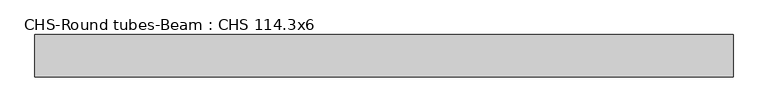
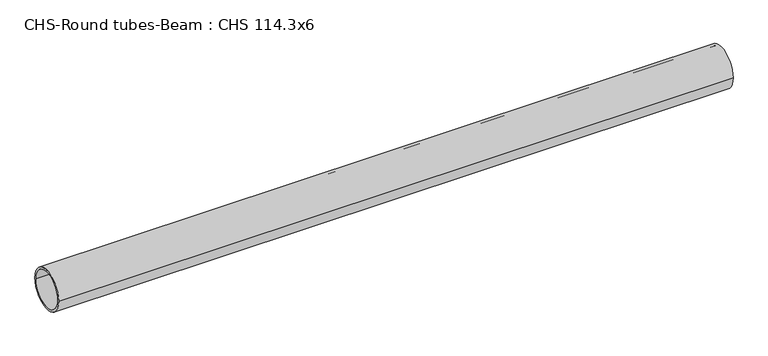
"""IFC4 building model written with IfcOpenShell, lengths in millimetres: beam geometry, CHS-Round tubes-Beam : CHS 114.3x6."""

from ifc_helpers import new_model, si_unit, point, frame, origin, origin_2d, place, context, project, spatial, circle_curve, trimmed, segment, composite_curve, outline, extrude, source, transform, mapped, element, save


def chs_round_tubes_beam_chs_114_3x6_f1b220df(model_context):
    return source(origin(), model_context, "Body", "SweptSolid", [
        extrude(outline(composite_curve([segment(trimmed(circle_curve(origin_2d(), 57.15), [point((57.15, 0.0))], [point((-57.15, 0.0))], False, "CARTESIAN"), True, "CONTINUOUS"), segment(trimmed(circle_curve(origin_2d(), 57.15), [point((-57.15, 0.0))], [point((57.15, 0.0))], False, "CARTESIAN"), True, "CONTINUOUS")], self_intersect=False), holes=[composite_curve([segment(trimmed(circle_curve(origin_2d(), 51.15), [point((51.15, 0.0))], [point((-51.15, 0.0))], True, "CARTESIAN"), True, "CONTINUOUS"), segment(trimmed(circle_curve(origin_2d(), 51.15), [point((-51.15, 0.0))], [point((51.15, 0.0))], True, "CARTESIAN"), True, "CONTINUOUS")], self_intersect=False)]), frame((-940.2847007, 0.0, 0.0), z_axis=(1.0, 0.0, 0.0), x_axis=(0.0, 1.0, 0.0)), (0.0, 0.0, 1.0), 1877.4121217),
    ])


if __name__ == "__main__":
    model = new_model("IFC4")
    model_context = context("Model", 3, world=origin())
    ifc_project = project(units=[si_unit("LENGTHUNIT", "METRE", prefix="MILLI")], contexts=[model_context])
    site = spatial("IfcSite", under=ifc_project)
    building = spatial("IfcBuilding", under=site)
    placement = place(None, origin())
    chs_round_tubes_beam_chs_114_3x6_shape = chs_round_tubes_beam_chs_114_3x6_f1b220df(model_context)
    element("IfcBeam", 1, ObjectType="CHS-Round tubes-Beam : CHS 114.3x6", at=placement, inside=building, context=model_context, shape_type="MappedRepresentation", body=[
        mapped(chs_round_tubes_beam_chs_114_3x6_shape, transform((0.0, 0.0, 0.0), x_axis=(1.0, 0.0, 0.0), y_axis=(0.0, 1.0, 0.0), z_axis=(0.0, 0.0, 1.0))),
    ])
    save(model, "model.ifc")
